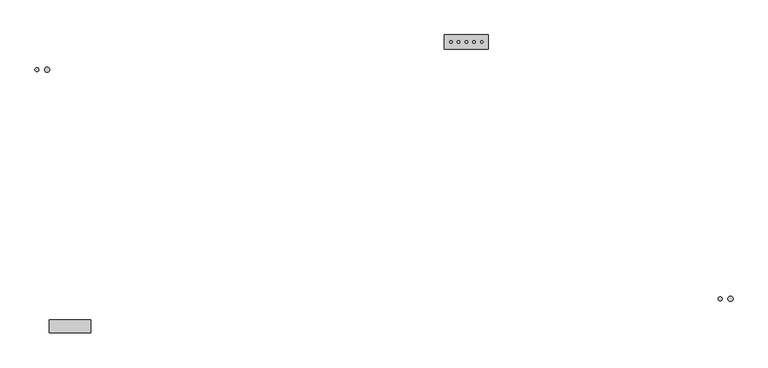
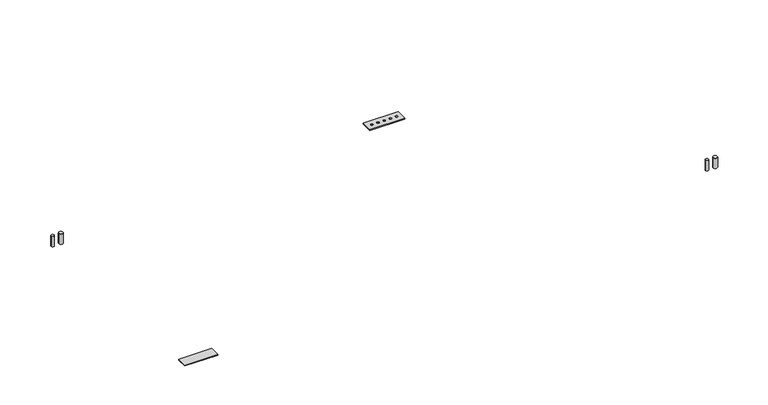
"""IFC4 building model written with IfcOpenShell, lengths in millimetres: proxy geometry."""

from ifc_helpers import new_model, si_unit, point, frame, frame_2d, origin, place, context, project, spatial, polyline, circle_curve, trimmed, segment, composite_curve, outline, extrude, source, transform, mapped, element, save


def mechanical_equipment_0806679e(model_context):
    return source(origin(), model_context, "Body", "SweptSolid", [
        extrude(outline(composite_curve([segment(trimmed(circle_curve(frame_2d((242.6911047, 192.5203719)), 12.7), [point((229.9911047, 192.5203719))], [point((255.3911047, 192.5203719))], False, "CARTESIAN"), True, "CONTINUOUS"), segment(trimmed(circle_curve(frame_2d((242.6911047, 192.5203719)), 12.7), [point((255.3911047, 192.5203719))], [point((229.9911047, 192.5203719))], False, "CARTESIAN"), True, "CONTINUOUS")], self_intersect=False)), frame((0.0, 0.0, 61.2666507), z_axis=(0.0, 0.0, 1.0), x_axis=(1.0, 0.0, 0.0)), (0.0, 0.0, 1.0), 65.7333493),
        extrude(outline(composite_curve([segment(trimmed(circle_curve(frame_2d((191.8911047, 192.5203719)), 9.525), [point((182.3661047, 192.5203719))], [point((201.4161047, 192.5203719))], False, "CARTESIAN"), True, "CONTINUOUS"), segment(trimmed(circle_curve(frame_2d((191.8911047, 192.5203719)), 9.525), [point((201.4161047, 192.5203719))], [point((182.3661047, 192.5203719))], False, "CARTESIAN"), True, "CONTINUOUS")], self_intersect=False)), frame((0.0, 0.0, 61.2666507), z_axis=(0.0, 0.0, 1.0), x_axis=(1.0, 0.0, 0.0)), (0.0, 0.0, 1.0), 65.7333493),
        extrude(outline(composite_curve([segment(trimmed(circle_curve(frame_2d((2235.1027684, 329.7424825)), 6.35), [point((2228.7527684, 329.7424825))], [point((2241.4527684, 329.7424825))], False, "CARTESIAN"), True, "CONTINUOUS"), segment(trimmed(circle_curve(frame_2d((2235.1027684, 329.7424825)), 6.35), [point((2241.4527684, 329.7424825))], [point((2228.7527684, 329.7424825))], False, "CARTESIAN"), True, "CONTINUOUS")], self_intersect=False)), frame((0.0, 0.0, 44.45), z_axis=(0.0, 0.0, 1.0), x_axis=(1.0, 0.0, 0.0)), (0.0, 0.0, 1.0), 6.35),
        extrude(outline(composite_curve([segment(trimmed(circle_curve(frame_2d((2273.2027684, 329.7424825)), 6.35), [point((2266.8527684, 329.7424825))], [point((2279.5527684, 329.7424825))], False, "CARTESIAN"), True, "CONTINUOUS"), segment(trimmed(circle_curve(frame_2d((2273.2027684, 329.7424825)), 6.35), [point((2279.5527684, 329.7424825))], [point((2266.8527684, 329.7424825))], False, "CARTESIAN"), True, "CONTINUOUS")], self_intersect=False)), frame((0.0, 0.0, 44.45), z_axis=(0.0, 0.0, 1.0), x_axis=(1.0, 0.0, 0.0)), (0.0, 0.0, 1.0), 6.35),
        extrude(outline(composite_curve([segment(trimmed(circle_curve(frame_2d((2311.3027684, 329.7424825)), 6.35), [point((2304.9527684, 329.7424825))], [point((2317.6527684, 329.7424825))], False, "CARTESIAN"), True, "CONTINUOUS"), segment(trimmed(circle_curve(frame_2d((2311.3027684, 329.7424825)), 6.35), [point((2317.6527684, 329.7424825))], [point((2304.9527684, 329.7424825))], False, "CARTESIAN"), True, "CONTINUOUS")], self_intersect=False)), frame((0.0, 0.0, 44.45), z_axis=(0.0, 0.0, 1.0), x_axis=(1.0, 0.0, 0.0)), (0.0, 0.0, 1.0), 6.35),
        extrude(outline(composite_curve([segment(trimmed(circle_curve(frame_2d((2349.4027684, 329.7424825)), 6.35), [point((2343.0527684, 329.7424825))], [point((2355.7527684, 329.7424825))], False, "CARTESIAN"), True, "CONTINUOUS"), segment(trimmed(circle_curve(frame_2d((2349.4027684, 329.7424825)), 6.35), [point((2355.7527684, 329.7424825))], [point((2343.0527684, 329.7424825))], False, "CARTESIAN"), True, "CONTINUOUS")], self_intersect=False)), frame((0.0, 0.0, 44.45), z_axis=(0.0, 0.0, 1.0), x_axis=(1.0, 0.0, 0.0)), (0.0, 0.0, 1.0), 6.35),
        extrude(outline(composite_curve([segment(trimmed(circle_curve(frame_2d((2387.5027684, 329.7424825)), 6.35), [point((2381.1527684, 329.7424825))], [point((2393.8527684, 329.7424825))], False, "CARTESIAN"), True, "CONTINUOUS"), segment(trimmed(circle_curve(frame_2d((2387.5027684, 329.7424825)), 6.35), [point((2393.8527684, 329.7424825))], [point((2381.1527684, 329.7424825))], False, "CARTESIAN"), True, "CONTINUOUS")], self_intersect=False)), frame((0.0, 0.0, 44.45), z_axis=(0.0, 0.0, 1.0), x_axis=(1.0, 0.0, 0.0)), (0.0, 0.0, 1.0), 6.35),
        extrude(outline(polyline([(2203.3527684, 364.6674825), (2418.5379173, 364.6674825), (2418.5379173, 294.8174825), (2203.3527684, 294.8174825), (2203.3527684, 364.6674825)])), frame((0.0, 0.0, 44.45), z_axis=(0.0, 0.0, 1.0), x_axis=(1.0, 0.0, 0.0)), (0.0, 0.0, 1.0), 6.35),
        extrude(outline(polyline([(457.2, -1044.3321273), (457.2, -1108.244384), (254.0, -1108.244384), (254.0, -1044.3321273), (457.2, -1044.3321273)])), frame((0.0, 0.0, 44.45), z_axis=(0.0, 0.0, 1.0), x_axis=(1.0, 0.0, 0.0)), (0.0, 0.0, 1.0), 6.35),
        extrude(outline(composite_curve([segment(trimmed(circle_curve(frame_2d((3614.7375, -939.5571273)), 12.7), [point((3602.0375, -939.5571273))], [point((3627.4375, -939.5571273))], False, "CARTESIAN"), True, "CONTINUOUS"), segment(trimmed(circle_curve(frame_2d((3614.7375, -939.5571273)), 12.7), [point((3627.4375, -939.5571273))], [point((3602.0375, -939.5571273))], False, "CARTESIAN"), True, "CONTINUOUS")], self_intersect=False)), frame((0.0, 0.0, 61.2666507), z_axis=(0.0, 0.0, 1.0), x_axis=(1.0, 0.0, 0.0)), (0.0, 0.0, 1.0), 65.7333493),
        extrude(outline(composite_curve([segment(trimmed(circle_curve(frame_2d((3563.9375, -939.5571273)), 9.525), [point((3554.4125, -939.5571273))], [point((3573.4625, -939.5571273))], False, "CARTESIAN"), True, "CONTINUOUS"), segment(trimmed(circle_curve(frame_2d((3563.9375, -939.5571273)), 9.525), [point((3573.4625, -939.5571273))], [point((3554.4125, -939.5571273))], False, "CARTESIAN"), True, "CONTINUOUS")], self_intersect=False)), frame((0.0, 0.0, 61.2666507), z_axis=(0.0, 0.0, 1.0), x_axis=(1.0, 0.0, 0.0)), (0.0, 0.0, 1.0), 65.7333493),
    ])


if __name__ == "__main__":
    model = new_model("IFC4")
    model_context = context("Model", 3, world=origin())
    ifc_project = project(units=[si_unit("LENGTHUNIT", "METRE", prefix="MILLI")], contexts=[model_context])
    site = spatial("IfcSite", under=ifc_project)
    building = spatial("IfcBuilding", under=site)
    placement = place(None, origin())
    mechanical_equipment_shape = mechanical_equipment_0806679e(model_context)
    element("IfcBuildingElementProxy", 1, Name="Mechanical Equipment", at=placement, inside=building, context=model_context, shape_type="MappedRepresentation", body=[
        mapped(mechanical_equipment_shape, transform((0.0, 0.0, 0.0), x_axis=(1.0, 0.0, 0.0), y_axis=(0.0, 1.0, 0.0), z_axis=(0.0, 0.0, 1.0))),
    ])
    save(model, "model.ifc")
